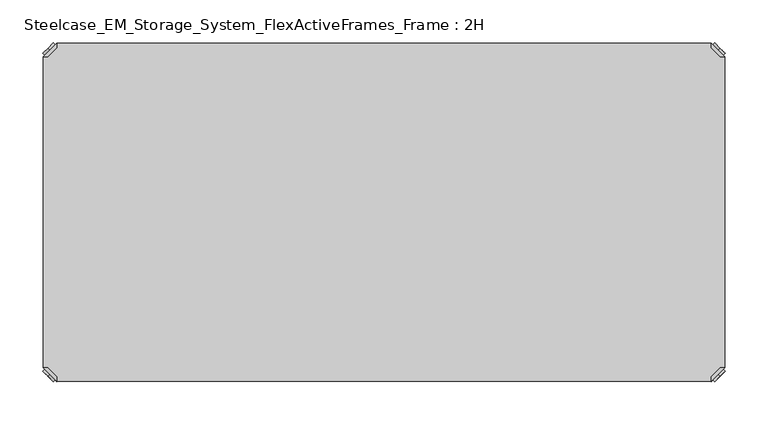
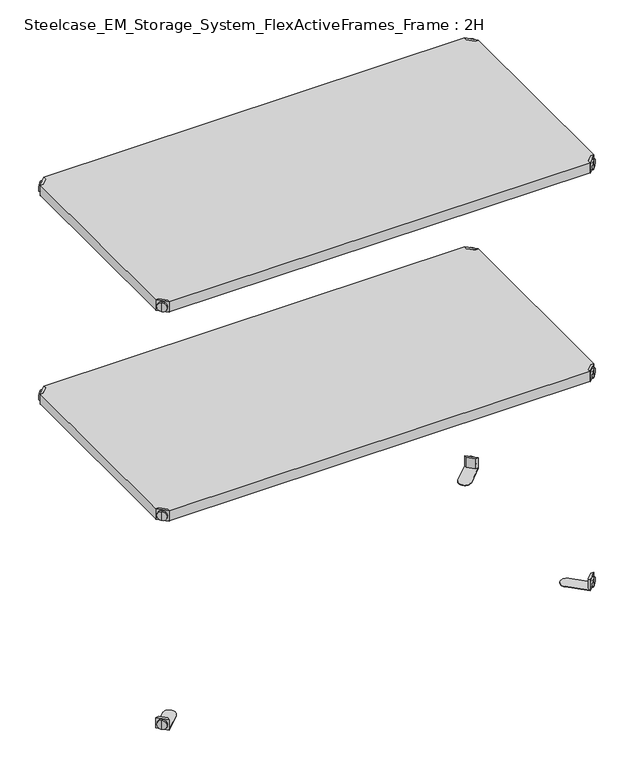
"""IFC4 building model written with IfcOpenShell, lengths in millimetres: furniture geometry, Steelcase_EM_Storage_System_FlexActiveFrames_Frame : 2H."""

from ifc_helpers import new_model, si_unit, frame, origin, place, context, project, spatial, polyline, circle_curve, outline, extrude, source, transform, mapped, element, save
from ifc_brep_helpers import plane_surface, cylinder_surface, advanced_brep


def steelcase_em_storage_system_flexactiveframes_frame_2h_59649669(model_context):
    return source(origin(), model_context, "Body", "SolidModel", [
        advanced_brep(
        [(789.0398449, -10.9601551, 498.5), (789.0398449, -10.9601551, 507.0), (789.0398449, -10.9601551, 515.5), (791.1611652, -8.8388348, 498.5), (791.1611652, -8.8388348, 515.5), (791.1611652, -8.8388348, 507.0)],
        [
            (0, 1),
            (1, 2),
            (2, 0, circle_curve(frame((789.0398449, -10.9601551, 507.0), z_axis=(-0.7071067811865556, -0.7071067811865395, 0.0), x_axis=(0.0, 0.0, 1.0)), 8.5)),
            (0, 2, circle_curve(frame((789.0398449, -10.9601551, 507.0), z_axis=(-0.7071067811865556, -0.7071067811865395, 0.0), x_axis=(0.0, 0.0, 1.0)), 8.5)),
            (3, 0),
            (2, 4),
            (4, 3, circle_curve(frame((791.1611652, -8.8388348, 507.0), z_axis=(-0.7071067811865556, -0.7071067811865395, 0.0), x_axis=(0.0, 0.0, 1.0)), 8.5)),
            (3, 4, circle_curve(frame((791.1611652, -8.8388348, 507.0), z_axis=(-0.7071067811865556, -0.7071067811865395, 0.0), x_axis=(0.0, 0.0, 1.0)), 8.5)),
            (5, 3),
            (4, 5),
        ],
        [
            plane_surface(frame((789.0398449, -10.9601551, 507.0), z_axis=(-0.7071067811865552, -0.7071067811865399, 0.0), x_axis=(0.0, 0.0, 1.0))),
            cylinder_surface(frame((791.1611652, -8.8388348, 507.0), z_axis=(0.7071067811865556, 0.7071067811865395, 0.0), x_axis=(0.0, 0.0, 1.0)), 8.5),
            plane_surface(frame((791.1611652, -8.8388348, 507.0), z_axis=(0.7071067811865552, 0.7071067811865399, 0.0), x_axis=(0.0, 0.0, 1.0))),
        ],
        [
            (0, [[1, 2, 3]]),
            (0, [[-2, -1, 4]]),
            (1, [[5, -3, 6, 7]]),
            (1, [[-6, -4, -5, 8]]),
            (2, [[9, -7, 10]]),
            (2, [[-10, -8, -9]]),
        ],
    ),
        advanced_brep(
        [(781.0796898, -3.0, 517.0), (781.0796898, -8.6568542, 517.0), (791.3431458, -18.9203102, 517.0), (797.0, -18.9203102, 517.0), (797.0, -18.9203102, 498.0), (797.0, -18.9203102, 497.0), (781.0796898, -3.0, 497.0), (781.0796898, -3.0, 498.0), (781.0796898, -8.6568542, 498.0), (791.3431458, -18.9203102, 498.0), (752.2702923, -31.8093975, 498.0), (768.1906025, -47.7297077, 498.0), (768.1906025, -47.7297077, 497.0), (752.2702923, -31.8093975, 497.0)],
        [
            (0, 1),
            (1, 2),
            (2, 3),
            (3, 0),
            (3, 4),
            (4, 5),
            (5, 6),
            (6, 7),
            (7, 0),
            (1, 8),
            (8, 9),
            (9, 2),
            (7, 8),
            (9, 4),
            (7, 10),
            (10, 11, circle_curve(frame((760.2304474, -39.7695526, 498.0), z_axis=(0.0, 0.0, 1.0), x_axis=(-1.0, 0.0, 0.0)), 11.2573593)),
            (11, 4),
            (5, 12),
            (12, 13, circle_curve(frame((760.2304474, -39.7695526, 497.0), z_axis=(0.0, 0.0, -1.0), x_axis=(-1.0, 0.0, 0.0)), 11.2573593)),
            (13, 6),
            (11, 12),
            (10, 13),
        ],
        [
            plane_surface(frame((838.8756299, -60.7959401, 517.0), z_axis=(0.0, 0.0, 1.0000000000000002), x_axis=(0.7071067811865465, -0.7071067811865487, 0.0))),
            plane_surface(frame((781.0796898, -3.0, 517.0), z_axis=(0.7071067811865487, 0.7071067811865465, 0.0), x_axis=(0.0, 0.0, -1.0))),
            plane_surface(frame((791.3431458, -18.9203102, 517.0), z_axis=(-0.7071067811865573, -0.7071067811865377, 0.0), x_axis=(0.0, 0.0, -1.0))),
            plane_surface(frame((781.0796898, -8.6568542, 517.0), z_axis=(-1.0, 0.0, 0.0), x_axis=(0.0, 0.0, -1.0))),
            plane_surface(frame((797.0, -18.9203102, 517.0), z_axis=(0.0, -1.0, 0.0), x_axis=(0.0, 0.0, -1.0))),
            plane_surface(frame((797.0, -18.9203102, 498.0), z_axis=(0.0, 0.0, 1.0), x_axis=(0.7071067811865392, -0.7071067811865558, 0.0))),
            plane_surface(frame((797.0, -18.9203102, 497.0), z_axis=(0.0, 0.0, -1.0), x_axis=(-0.7071067811865392, 0.7071067811865558, 0.0))),
            plane_surface(frame((797.0, -18.9203102, 498.0), z_axis=(0.7071067811865399, -0.7071067811865552, 0.0), x_axis=(0.0, 0.0, -1.0))),
            cylinder_surface(frame((760.2304474, -39.7695526, 497.0), z_axis=(0.0, 0.0, 1.0), x_axis=(-1.0, 0.0, 0.0)), 11.2573593),
            plane_surface(frame((752.2702923, -31.8093975, 498.0), z_axis=(-0.7071067811865388, 0.7071067811865563, 0.0), x_axis=(0.0, 0.0, -1.0))),
        ],
        [
            (0, [[1, 2, 3, 4]]),
            (1, [[5, 6, 7, 8, 9, -4]]),
            (2, [[10, 11, 12, -2]]),
            (3, [[-9, 13, -10, -1]]),
            (4, [[-12, 14, -5, -3]]),
            (5, [[-14, -11, -13, 15, 16, 17]]),
            (6, [[-7, 18, 19, 20]]),
            (7, [[21, -18, -6, -17]]),
            (8, [[22, -19, -21, -16]]),
            (9, [[-8, -20, -22, -15]]),
        ],
    ),
        advanced_brep(
        [(789.0398449, -389.0398449, 498.5), (789.0398449, -389.0398449, 515.5), (789.0398449, -389.0398449, 507.0), (791.1611652, -391.1611652, 498.5), (791.1611652, -391.1611652, 515.5), (791.1611652, -391.1611652, 507.0)],
        [
            (0, 1, circle_curve(frame((789.0398449, -389.0398449, 507.0), z_axis=(-0.7071067811865509, 0.7071067811865441, 0.0), x_axis=(0.0, 0.0, 1.0)), 8.5)),
            (1, 2),
            (2, 0),
            (1, 0, circle_curve(frame((789.0398449, -389.0398449, 507.0), z_axis=(-0.7071067811865509, 0.7071067811865441, 0.0), x_axis=(0.0, 0.0, 1.0)), 8.5)),
            (3, 4, circle_curve(frame((791.1611652, -391.1611652, 507.0), z_axis=(-0.7071067811865509, 0.7071067811865441, 0.0), x_axis=(0.0, 0.0, 1.0)), 8.5)),
            (4, 1),
            (0, 3),
            (4, 3, circle_curve(frame((791.1611652, -391.1611652, 507.0), z_axis=(-0.7071067811865509, 0.7071067811865441, 0.0), x_axis=(0.0, 0.0, 1.0)), 8.5)),
            (5, 4),
            (3, 5),
        ],
        [
            plane_surface(frame((789.0398449, -389.0398449, 507.0), z_axis=(-0.7071067811865506, 0.7071067811865446, 0.0), x_axis=(0.0, 0.0, 1.0))),
            cylinder_surface(frame((791.1611652, -391.1611652, 507.0), z_axis=(0.7071067811865509, -0.7071067811865441, 0.0), x_axis=(0.0, 0.0, 1.0)), 8.5),
            plane_surface(frame((791.1611652, -391.1611652, 507.0), z_axis=(0.7071067811865506, -0.7071067811865446, 0.0), x_axis=(0.0, 0.0, 1.0))),
        ],
        [
            (0, [[1, 2, 3]]),
            (0, [[4, -3, -2]]),
            (1, [[5, 6, -1, 7]]),
            (1, [[8, -7, -4, -6]]),
            (2, [[9, -5, 10]]),
            (2, [[-10, -8, -9]]),
        ],
    ),
        advanced_brep(
        [(781.0796898, -397.0, 517.0), (797.0, -381.0796898, 517.0), (791.3431458, -381.0796898, 517.0), (781.0796898, -391.3431458, 517.0), (781.0796898, -397.0, 498.0), (781.0796898, -397.0, 497.0), (797.0, -381.0796898, 497.0), (797.0, -381.0796898, 498.0), (791.3431458, -381.0796898, 498.0), (781.0796898, -391.3431458, 498.0), (768.1906025, -352.2702923, 498.0), (752.2702923, -368.1906025, 498.0), (752.2702923, -368.1906025, 497.0), (768.1906025, -352.2702923, 497.0)],
        [
            (0, 1),
            (1, 2),
            (2, 3),
            (3, 0),
            (0, 4),
            (4, 5),
            (5, 6),
            (6, 7),
            (7, 1),
            (2, 8),
            (8, 9),
            (9, 3),
            (9, 4),
            (7, 8),
            (7, 10),
            (10, 11, circle_curve(frame((760.2304474, -360.2304474, 498.0), z_axis=(0.0, 0.0, 1.0), x_axis=(-1.0, 0.0, 0.0)), 11.2573593)),
            (11, 4),
            (5, 12),
            (12, 13, circle_curve(frame((760.2304474, -360.2304474, 497.0), z_axis=(0.0, 0.0, -1.0), x_axis=(-1.0, 0.0, 0.0)), 11.2573593)),
            (13, 6),
            (13, 10),
            (12, 11),
        ],
        [
            plane_surface(frame((838.8756299, -339.2040599, 517.0), z_axis=(0.0, 0.0, 1.0000000000000002), x_axis=(0.7071067811865511, 0.707106781186544, 0.0))),
            plane_surface(frame((781.0796898, -397.0, 517.0), z_axis=(0.707106781186544, -0.7071067811865511, 0.0), x_axis=(0.0, 0.0, -1.0))),
            plane_surface(frame((791.3431458, -381.0796898, 517.0), z_axis=(-0.7071067811865527, 0.7071067811865424, 0.0), x_axis=(0.0, 0.0, -1.0))),
            plane_surface(frame((781.0796898, -391.3431458, 517.0), z_axis=(-1.0, 0.0, 0.0), x_axis=(0.0, 0.0, -1.0))),
            plane_surface(frame((797.0, -381.0796898, 517.0), z_axis=(0.0, 1.0, 0.0), x_axis=(0.0, 0.0, -1.0))),
            plane_surface(frame((797.0, -381.0796898, 498.0), z_axis=(0.0, 0.0, 1.0), x_axis=(0.7071067811865439, 0.7071067811865511, 0.0))),
            plane_surface(frame((797.0, -381.0796898, 497.0), z_axis=(0.0, 0.0, -1.0), x_axis=(-0.7071067811865439, -0.7071067811865511, 0.0))),
            plane_surface(frame((797.0, -381.0796898, 498.0), z_axis=(0.7071067811865446, 0.7071067811865506, 0.0), x_axis=(0.0, 0.0, -1.0))),
            cylinder_surface(frame((760.2304474, -360.2304474, 497.0), z_axis=(0.0, 0.0, 1.0), x_axis=(-1.0, 0.0, 0.0)), 11.2573593),
            plane_surface(frame((752.2702923, -368.1906025, 498.0), z_axis=(-0.7071067811865435, -0.7071067811865517, 0.0), x_axis=(0.0, 0.0, -1.0))),
        ],
        [
            (0, [[1, 2, 3, 4]]),
            (1, [[-1, 5, 6, 7, 8, 9]]),
            (2, [[-3, 10, 11, 12]]),
            (3, [[-4, -12, 13, -5]]),
            (4, [[-2, -9, 14, -10]]),
            (5, [[15, 16, 17, -13, -11, -14]]),
            (6, [[18, 19, 20, -7]]),
            (7, [[-15, -8, -20, 21]]),
            (8, [[-16, -21, -19, 22]]),
            (9, [[-17, -22, -18, -6]]),
        ],
    ),
        advanced_brep(
        [(10.9601551, -389.0398449, 498.5), (10.9601551, -389.0398449, 507.0), (10.9601551, -389.0398449, 515.5), (8.8388348, -391.1611652, 498.5), (8.8388348, -391.1611652, 515.5), (8.8388348, -391.1611652, 507.0)],
        [
            (0, 1),
            (1, 2),
            (2, 0, circle_curve(frame((10.9601551, -389.0398449, 507.0), z_axis=(0.7071067811865509, 0.7071067811865441, 0.0), x_axis=(0.0, 0.0, 1.0)), 8.5)),
            (0, 2, circle_curve(frame((10.9601551, -389.0398449, 507.0), z_axis=(0.7071067811865509, 0.7071067811865441, 0.0), x_axis=(0.0, 0.0, 1.0)), 8.5)),
            (3, 0),
            (2, 4),
            (4, 3, circle_curve(frame((8.8388348, -391.1611652, 507.0), z_axis=(0.7071067811865509, 0.7071067811865441, 0.0), x_axis=(0.0, 0.0, 1.0)), 8.5)),
            (3, 4, circle_curve(frame((8.8388348, -391.1611652, 507.0), z_axis=(0.7071067811865509, 0.7071067811865441, 0.0), x_axis=(0.0, 0.0, 1.0)), 8.5)),
            (5, 3),
            (4, 5),
        ],
        [
            plane_surface(frame((10.9601551, -389.0398449, 507.0), z_axis=(0.7071067811865506, 0.7071067811865446, 0.0), x_axis=(0.0, 0.0, 1.0))),
            cylinder_surface(frame((8.8388348, -391.1611652, 507.0), z_axis=(-0.7071067811865509, -0.7071067811865441, 0.0), x_axis=(0.0, 0.0, 1.0)), 8.5),
            plane_surface(frame((8.8388348, -391.1611652, 507.0), z_axis=(-0.7071067811865506, -0.7071067811865446, 0.0), x_axis=(0.0, 0.0, 1.0))),
        ],
        [
            (0, [[1, 2, 3]]),
            (0, [[-2, -1, 4]]),
            (1, [[5, -3, 6, 7]]),
            (1, [[-6, -4, -5, 8]]),
            (2, [[9, -7, 10]]),
            (2, [[-10, -8, -9]]),
        ],
    ),
        advanced_brep(
        [(18.9203102, -397.0, 517.0), (18.9203102, -391.3431458, 517.0), (8.6568542, -381.0796898, 517.0), (3.0, -381.0796898, 517.0), (3.0, -381.0796898, 498.0), (3.0, -381.0796898, 497.0), (18.9203102, -397.0, 497.0), (18.9203102, -397.0, 498.0), (18.9203102, -391.3431458, 498.0), (8.6568542, -381.0796898, 498.0), (47.7297077, -368.1906025, 498.0), (31.8093975, -352.2702923, 498.0), (31.8093975, -352.2702923, 497.0), (47.7297077, -368.1906025, 497.0)],
        [
            (0, 1),
            (1, 2),
            (2, 3),
            (3, 0),
            (3, 4),
            (4, 5),
            (5, 6),
            (6, 7),
            (7, 0),
            (1, 8),
            (8, 9),
            (9, 2),
            (7, 8),
            (9, 4),
            (7, 10),
            (10, 11, circle_curve(frame((39.7695526, -360.2304474, 498.0), z_axis=(0.0, 0.0, 1.0), x_axis=(1.0, 0.0, 0.0)), 11.2573593)),
            (11, 4),
            (5, 12),
            (12, 13, circle_curve(frame((39.7695526, -360.2304474, 497.0), z_axis=(0.0, 0.0, -1.0), x_axis=(1.0, 0.0, 0.0)), 11.2573593)),
            (13, 6),
            (11, 12),
            (10, 13),
        ],
        [
            plane_surface(frame((-38.8756299, -339.2040599, 517.0), z_axis=(0.0, 0.0, 1.0000000000000002), x_axis=(-0.7071067811865511, 0.707106781186544, 0.0))),
            plane_surface(frame((18.9203102, -397.0, 517.0), z_axis=(-0.707106781186544, -0.7071067811865511, 0.0), x_axis=(0.0, 0.0, -1.0))),
            plane_surface(frame((8.6568542, -381.0796898, 517.0), z_axis=(0.7071067811865527, 0.7071067811865424, 0.0), x_axis=(0.0, 0.0, -1.0))),
            plane_surface(frame((18.9203102, -391.3431458, 517.0), z_axis=(1.0, 0.0, 0.0), x_axis=(0.0, 0.0, -1.0))),
            plane_surface(frame((3.0, -381.0796898, 517.0), z_axis=(0.0, 1.0, 0.0), x_axis=(0.0, 0.0, -1.0))),
            plane_surface(frame((3.0, -381.0796898, 498.0), z_axis=(0.0, 0.0, 1.0), x_axis=(-0.7071067811865439, 0.7071067811865511, 0.0))),
            plane_surface(frame((3.0, -381.0796898, 497.0), z_axis=(0.0, 0.0, -1.0), x_axis=(0.7071067811865439, -0.7071067811865511, 0.0))),
            plane_surface(frame((3.0, -381.0796898, 498.0), z_axis=(-0.7071067811865446, 0.7071067811865506, 0.0), x_axis=(0.0, 0.0, -1.0))),
            cylinder_surface(frame((39.7695526, -360.2304474, 497.0), z_axis=(0.0, 0.0, 1.0), x_axis=(1.0, 0.0, 0.0)), 11.2573593),
            plane_surface(frame((47.7297077, -368.1906025, 498.0), z_axis=(0.7071067811865435, -0.7071067811865517, 0.0), x_axis=(0.0, 0.0, -1.0))),
        ],
        [
            (0, [[1, 2, 3, 4]]),
            (1, [[5, 6, 7, 8, 9, -4]]),
            (2, [[10, 11, 12, -2]]),
            (3, [[-9, 13, -10, -1]]),
            (4, [[-12, 14, -5, -3]]),
            (5, [[-14, -11, -13, 15, 16, 17]]),
            (6, [[-7, 18, 19, 20]]),
            (7, [[21, -18, -6, -17]]),
            (8, [[22, -19, -21, -16]]),
            (9, [[-8, -20, -22, -15]]),
        ],
    ),
        advanced_brep(
        [(10.9601551, -10.9601551, 498.5), (10.9601551, -10.9601551, 515.5), (10.9601551, -10.9601551, 507.0), (8.8388348, -8.8388348, 498.5), (8.8388348, -8.8388348, 515.5), (8.8388348, -8.8388348, 507.0)],
        [
            (0, 1, circle_curve(frame((10.9601551, -10.9601551, 507.0), z_axis=(0.7071067811865464, -0.7071067811865487, 0.0), x_axis=(0.0, 0.0, 1.0)), 8.5)),
            (1, 2),
            (2, 0),
            (1, 0, circle_curve(frame((10.9601551, -10.9601551, 507.0), z_axis=(0.7071067811865464, -0.7071067811865487, 0.0), x_axis=(0.0, 0.0, 1.0)), 8.5)),
            (3, 4, circle_curve(frame((8.8388348, -8.8388348, 507.0), z_axis=(0.7071067811865464, -0.7071067811865487, 0.0), x_axis=(0.0, 0.0, 1.0)), 8.5)),
            (4, 1),
            (0, 3),
            (4, 3, circle_curve(frame((8.8388348, -8.8388348, 507.0), z_axis=(0.7071067811865464, -0.7071067811865487, 0.0), x_axis=(0.0, 0.0, 1.0)), 8.5)),
            (5, 4),
            (3, 5),
        ],
        [
            plane_surface(frame((10.9601551, -10.9601551, 507.0), z_axis=(0.707106781186546, -0.7071067811865491, 0.0), x_axis=(0.0, 0.0, 1.0))),
            cylinder_surface(frame((8.8388348, -8.8388348, 507.0), z_axis=(-0.7071067811865464, 0.7071067811865487, 0.0), x_axis=(0.0, 0.0, 1.0)), 8.5),
            plane_surface(frame((8.8388348, -8.8388348, 507.0), z_axis=(-0.707106781186546, 0.7071067811865491, 0.0), x_axis=(0.0, 0.0, 1.0))),
        ],
        [
            (0, [[1, 2, 3]]),
            (0, [[4, -3, -2]]),
            (1, [[5, 6, -1, 7]]),
            (1, [[8, -7, -4, -6]]),
            (2, [[9, -5, 10]]),
            (2, [[-10, -8, -9]]),
        ],
    ),
        advanced_brep(
        [(18.9203102, -3.0, 517.0), (3.0, -18.9203102, 517.0), (8.6568542, -18.9203102, 517.0), (18.9203102, -8.6568542, 517.0), (18.9203102, -3.0, 498.0), (18.9203102, -3.0, 497.0), (3.0, -18.9203102, 497.0), (3.0, -18.9203102, 498.0), (8.6568542, -18.9203102, 498.0), (18.9203102, -8.6568542, 498.0), (31.8093975, -47.7297077, 498.0), (47.7297077, -31.8093975, 498.0), (47.7297077, -31.8093975, 497.0), (31.8093975, -47.7297077, 497.0)],
        [
            (0, 1),
            (1, 2),
            (2, 3),
            (3, 0),
            (0, 4),
            (4, 5),
            (5, 6),
            (6, 7),
            (7, 1),
            (2, 8),
            (8, 9),
            (9, 3),
            (9, 4),
            (7, 8),
            (7, 10),
            (10, 11, circle_curve(frame((39.7695526, -39.7695526, 498.0), z_axis=(0.0, 0.0, 1.0), x_axis=(1.0, 0.0, 0.0)), 11.2573593)),
            (11, 4),
            (5, 12),
            (12, 13, circle_curve(frame((39.7695526, -39.7695526, 497.0), z_axis=(0.0, 0.0, -1.0), x_axis=(1.0, 0.0, 0.0)), 11.2573593)),
            (13, 6),
            (13, 10),
            (12, 11),
        ],
        [
            plane_surface(frame((-38.8756299, -60.7959401, 517.0), z_axis=(0.0, 0.0, 1.0000000000000002), x_axis=(-0.7071067811865557, -0.7071067811865395, 0.0))),
            plane_surface(frame((18.9203102, -3.0, 517.0), z_axis=(-0.7071067811865395, 0.7071067811865557, 0.0), x_axis=(0.0, 0.0, -1.0))),
            plane_surface(frame((8.6568542, -18.9203102, 517.0), z_axis=(0.7071067811865481, -0.7071067811865469, 0.0), x_axis=(0.0, 0.0, -1.0))),
            plane_surface(frame((18.9203102, -8.6568542, 517.0), z_axis=(1.0, 0.0, 0.0), x_axis=(0.0, 0.0, -1.0))),
            plane_surface(frame((3.0, -18.9203102, 517.0), z_axis=(0.0, -1.0, 0.0), x_axis=(0.0, 0.0, -1.0))),
            plane_surface(frame((3.0, -18.9203102, 498.0), z_axis=(0.0, 0.0, 1.0), x_axis=(-0.7071067811865485, -0.7071067811865466, 0.0))),
            plane_surface(frame((3.0, -18.9203102, 497.0), z_axis=(0.0, 0.0, -1.0), x_axis=(0.7071067811865485, 0.7071067811865466, 0.0))),
            plane_surface(frame((3.0, -18.9203102, 498.0), z_axis=(-0.7071067811865491, -0.707106781186546, 0.0), x_axis=(0.0, 0.0, -1.0))),
            cylinder_surface(frame((39.7695526, -39.7695526, 497.0), z_axis=(0.0, 0.0, 1.0), x_axis=(1.0, 0.0, 0.0)), 11.2573593),
            plane_surface(frame((47.7297077, -31.8093975, 498.0), z_axis=(0.707106781186548, 0.7071067811865471, 0.0), x_axis=(0.0, 0.0, -1.0))),
        ],
        [
            (0, [[1, 2, 3, 4]]),
            (1, [[-1, 5, 6, 7, 8, 9]]),
            (2, [[-3, 10, 11, 12]]),
            (3, [[-4, -12, 13, -5]]),
            (4, [[-2, -9, 14, -10]]),
            (5, [[15, 16, 17, -13, -11, -14]]),
            (6, [[18, 19, 20, -7]]),
            (7, [[-15, -8, -20, 21]]),
            (8, [[-16, -21, -19, 22]]),
            (9, [[-17, -22, -18, -6]]),
        ],
    ),
        extrude(outline(polyline([(781.0796898, -3.0), (781.0796898, -8.6568542), (791.3431458, -18.9203102), (797.0, -18.9203102), (797.0, -381.0796898), (791.3431458, -381.0796898), (781.0796898, -391.3431458), (781.0796898, -397.0), (18.9203102, -397.0), (18.9203102, -391.3431458), (8.6568542, -381.0796898), (3.0, -381.0796898), (3.0, -18.9203102), (8.6568542, -18.9203102), (18.9203102, -8.6568542), (18.9203102, -3.0), (781.0796898, -3.0)])), frame((0.0, 0.0, 498.0), z_axis=(0.0, 0.0, 1.0), x_axis=(1.0, 0.0, 0.0)), (0.0, 0.0, 1.0), 19.0),
        advanced_brep(
        [(789.0398449, -10.9601551, 898.5), (789.0398449, -10.9601551, 907.0), (789.0398449, -10.9601551, 915.5), (791.1611652, -8.8388348, 898.5), (791.1611652, -8.8388348, 915.5), (791.1611652, -8.8388348, 907.0)],
        [
            (0, 1),
            (1, 2),
            (2, 0, circle_curve(frame((789.0398449, -10.9601551, 907.0), z_axis=(-0.7071067811865556, -0.7071067811865395, 0.0), x_axis=(0.0, 0.0, 1.0)), 8.5)),
            (0, 2, circle_curve(frame((789.0398449, -10.9601551, 907.0), z_axis=(-0.7071067811865556, -0.7071067811865395, 0.0), x_axis=(0.0, 0.0, 1.0)), 8.5)),
            (3, 0),
            (2, 4),
            (4, 3, circle_curve(frame((791.1611652, -8.8388348, 907.0), z_axis=(-0.7071067811865556, -0.7071067811865395, 0.0), x_axis=(0.0, 0.0, 1.0)), 8.5)),
            (3, 4, circle_curve(frame((791.1611652, -8.8388348, 907.0), z_axis=(-0.7071067811865556, -0.7071067811865395, 0.0), x_axis=(0.0, 0.0, 1.0)), 8.5)),
            (5, 3),
            (4, 5),
        ],
        [
            plane_surface(frame((789.0398449, -10.9601551, 907.0), z_axis=(-0.7071067811865552, -0.7071067811865399, 0.0), x_axis=(0.0, 0.0, 1.0))),
            cylinder_surface(frame((791.1611652, -8.8388348, 907.0), z_axis=(0.7071067811865556, 0.7071067811865395, 0.0), x_axis=(0.0, 0.0, 1.0)), 8.5),
            plane_surface(frame((791.1611652, -8.8388348, 907.0), z_axis=(0.7071067811865552, 0.7071067811865399, 0.0), x_axis=(0.0, 0.0, 1.0))),
        ],
        [
            (0, [[1, 2, 3]]),
            (0, [[-2, -1, 4]]),
            (1, [[5, -3, 6, 7]]),
            (1, [[-6, -4, -5, 8]]),
            (2, [[9, -7, 10]]),
            (2, [[-10, -8, -9]]),
        ],
    ),
        advanced_brep(
        [(781.0796898, -3.0, 917.0), (781.0796898, -8.6568542, 917.0), (791.3431458, -18.9203102, 917.0), (797.0, -18.9203102, 917.0), (797.0, -18.9203102, 898.0), (797.0, -18.9203102, 897.0), (781.0796898, -3.0, 897.0), (781.0796898, -3.0, 898.0), (781.0796898, -8.6568542, 898.0), (791.3431458, -18.9203102, 898.0), (752.2702923, -31.8093975, 898.0), (768.1906025, -47.7297077, 898.0), (768.1906025, -47.7297077, 897.0), (752.2702923, -31.8093975, 897.0)],
        [
            (0, 1),
            (1, 2),
            (2, 3),
            (3, 0),
            (3, 4),
            (4, 5),
            (5, 6),
            (6, 7),
            (7, 0),
            (1, 8),
            (8, 9),
            (9, 2),
            (7, 8),
            (9, 4),
            (7, 10),
            (10, 11, circle_curve(frame((760.2304474, -39.7695526, 898.0), z_axis=(0.0, 0.0, 1.0), x_axis=(-1.0, 0.0, 0.0)), 11.2573593)),
            (11, 4),
            (5, 12),
            (12, 13, circle_curve(frame((760.2304474, -39.7695526, 897.0), z_axis=(0.0, 0.0, -1.0), x_axis=(-1.0, 0.0, 0.0)), 11.2573593)),
            (13, 6),
            (11, 12),
            (10, 13),
        ],
        [
            plane_surface(frame((838.8756299, -60.7959401, 917.0), z_axis=(0.0, 0.0, 1.0000000000000002), x_axis=(0.7071067811865465, -0.7071067811865487, 0.0))),
            plane_surface(frame((781.0796898, -3.0, 917.0), z_axis=(0.7071067811865487, 0.7071067811865465, 0.0), x_axis=(0.0, 0.0, -1.0))),
            plane_surface(frame((791.3431458, -18.9203102, 917.0), z_axis=(-0.7071067811865573, -0.7071067811865377, 0.0), x_axis=(0.0, 0.0, -1.0))),
            plane_surface(frame((781.0796898, -8.6568542, 917.0), z_axis=(-1.0, 0.0, 0.0), x_axis=(0.0, 0.0, -1.0))),
            plane_surface(frame((797.0, -18.9203102, 917.0), z_axis=(0.0, -1.0, 0.0), x_axis=(0.0, 0.0, -1.0))),
            plane_surface(frame((797.0, -18.9203102, 898.0), z_axis=(0.0, 0.0, 1.0), x_axis=(0.7071067811865392, -0.7071067811865558, 0.0))),
            plane_surface(frame((797.0, -18.9203102, 897.0), z_axis=(0.0, 0.0, -1.0), x_axis=(-0.7071067811865392, 0.7071067811865558, 0.0))),
            plane_surface(frame((797.0, -18.9203102, 898.0), z_axis=(0.7071067811865399, -0.7071067811865552, 0.0), x_axis=(0.0, 0.0, -1.0))),
            cylinder_surface(frame((760.2304474, -39.7695526, 897.0), z_axis=(0.0, 0.0, 1.0), x_axis=(-1.0, 0.0, 0.0)), 11.2573593),
            plane_surface(frame((752.2702923, -31.8093975, 898.0), z_axis=(-0.7071067811865388, 0.7071067811865563, 0.0), x_axis=(0.0, 0.0, -1.0))),
        ],
        [
            (0, [[1, 2, 3, 4]]),
            (1, [[5, 6, 7, 8, 9, -4]]),
            (2, [[10, 11, 12, -2]]),
            (3, [[-9, 13, -10, -1]]),
            (4, [[-12, 14, -5, -3]]),
            (5, [[-14, -11, -13, 15, 16, 17]]),
            (6, [[-7, 18, 19, 20]]),
            (7, [[21, -18, -6, -17]]),
            (8, [[22, -19, -21, -16]]),
            (9, [[-8, -20, -22, -15]]),
        ],
    ),
        advanced_brep(
        [(789.0398449, -389.0398449, 898.5), (789.0398449, -389.0398449, 915.5), (789.0398449, -389.0398449, 907.0), (791.1611652, -391.1611652, 898.5), (791.1611652, -391.1611652, 915.5), (791.1611652, -391.1611652, 907.0)],
        [
            (0, 1, circle_curve(frame((789.0398449, -389.0398449, 907.0), z_axis=(-0.7071067811865509, 0.7071067811865441, 0.0), x_axis=(0.0, 0.0, 1.0)), 8.5)),
            (1, 2),
            (2, 0),
            (1, 0, circle_curve(frame((789.0398449, -389.0398449, 907.0), z_axis=(-0.7071067811865509, 0.7071067811865441, 0.0), x_axis=(0.0, 0.0, 1.0)), 8.5)),
            (3, 4, circle_curve(frame((791.1611652, -391.1611652, 907.0), z_axis=(-0.7071067811865509, 0.7071067811865441, 0.0), x_axis=(0.0, 0.0, 1.0)), 8.5)),
            (4, 1),
            (0, 3),
            (4, 3, circle_curve(frame((791.1611652, -391.1611652, 907.0), z_axis=(-0.7071067811865509, 0.7071067811865441, 0.0), x_axis=(0.0, 0.0, 1.0)), 8.5)),
            (5, 4),
            (3, 5),
        ],
        [
            plane_surface(frame((789.0398449, -389.0398449, 907.0), z_axis=(-0.7071067811865506, 0.7071067811865446, 0.0), x_axis=(0.0, 0.0, 1.0))),
            cylinder_surface(frame((791.1611652, -391.1611652, 907.0), z_axis=(0.7071067811865509, -0.7071067811865441, 0.0), x_axis=(0.0, 0.0, 1.0)), 8.5),
            plane_surface(frame((791.1611652, -391.1611652, 907.0), z_axis=(0.7071067811865506, -0.7071067811865446, 0.0), x_axis=(0.0, 0.0, 1.0))),
        ],
        [
            (0, [[1, 2, 3]]),
            (0, [[4, -3, -2]]),
            (1, [[5, 6, -1, 7]]),
            (1, [[8, -7, -4, -6]]),
            (2, [[9, -5, 10]]),
            (2, [[-10, -8, -9]]),
        ],
    ),
        advanced_brep(
        [(781.0796898, -397.0, 917.0), (797.0, -381.0796898, 917.0), (791.3431458, -381.0796898, 917.0), (781.0796898, -391.3431458, 917.0), (781.0796898, -397.0, 898.0), (781.0796898, -397.0, 897.0), (797.0, -381.0796898, 897.0), (797.0, -381.0796898, 898.0), (791.3431458, -381.0796898, 898.0), (781.0796898, -391.3431458, 898.0), (768.1906025, -352.2702923, 898.0), (752.2702923, -368.1906025, 898.0), (752.2702923, -368.1906025, 897.0), (768.1906025, -352.2702923, 897.0)],
        [
            (0, 1),
            (1, 2),
            (2, 3),
            (3, 0),
            (0, 4),
            (4, 5),
            (5, 6),
            (6, 7),
            (7, 1),
            (2, 8),
            (8, 9),
            (9, 3),
            (9, 4),
            (7, 8),
            (7, 10),
            (10, 11, circle_curve(frame((760.2304474, -360.2304474, 898.0), z_axis=(0.0, 0.0, 1.0), x_axis=(-1.0, 0.0, 0.0)), 11.2573593)),
            (11, 4),
            (5, 12),
            (12, 13, circle_curve(frame((760.2304474, -360.2304474, 897.0), z_axis=(0.0, 0.0, -1.0), x_axis=(-1.0, 0.0, 0.0)), 11.2573593)),
            (13, 6),
            (13, 10),
            (12, 11),
        ],
        [
            plane_surface(frame((838.8756299, -339.2040599, 917.0), z_axis=(0.0, 0.0, 1.0000000000000002), x_axis=(0.7071067811865511, 0.707106781186544, 0.0))),
            plane_surface(frame((781.0796898, -397.0, 917.0), z_axis=(0.707106781186544, -0.7071067811865511, 0.0), x_axis=(0.0, 0.0, -1.0))),
            plane_surface(frame((791.3431458, -381.0796898, 917.0), z_axis=(-0.7071067811865527, 0.7071067811865424, 0.0), x_axis=(0.0, 0.0, -1.0))),
            plane_surface(frame((781.0796898, -391.3431458, 917.0), z_axis=(-1.0, 0.0, 0.0), x_axis=(0.0, 0.0, -1.0))),
            plane_surface(frame((797.0, -381.0796898, 917.0), z_axis=(0.0, 1.0, 0.0), x_axis=(0.0, 0.0, -1.0))),
            plane_surface(frame((797.0, -381.0796898, 898.0), z_axis=(0.0, 0.0, 1.0), x_axis=(0.7071067811865439, 0.7071067811865511, 0.0))),
            plane_surface(frame((797.0, -381.0796898, 897.0), z_axis=(0.0, 0.0, -1.0), x_axis=(-0.7071067811865439, -0.7071067811865511, 0.0))),
            plane_surface(frame((797.0, -381.0796898, 898.0), z_axis=(0.7071067811865446, 0.7071067811865506, 0.0), x_axis=(0.0, 0.0, -1.0))),
            cylinder_surface(frame((760.2304474, -360.2304474, 897.0), z_axis=(0.0, 0.0, 1.0), x_axis=(-1.0, 0.0, 0.0)), 11.2573593),
            plane_surface(frame((752.2702923, -368.1906025, 898.0), z_axis=(-0.7071067811865435, -0.7071067811865517, 0.0), x_axis=(0.0, 0.0, -1.0))),
        ],
        [
            (0, [[1, 2, 3, 4]]),
            (1, [[-1, 5, 6, 7, 8, 9]]),
            (2, [[-3, 10, 11, 12]]),
            (3, [[-4, -12, 13, -5]]),
            (4, [[-2, -9, 14, -10]]),
            (5, [[15, 16, 17, -13, -11, -14]]),
            (6, [[18, 19, 20, -7]]),
            (7, [[-15, -8, -20, 21]]),
            (8, [[-16, -21, -19, 22]]),
            (9, [[-17, -22, -18, -6]]),
        ],
    ),
        advanced_brep(
        [(10.9601551, -389.0398449, 898.5), (10.9601551, -389.0398449, 907.0), (10.9601551, -389.0398449, 915.5), (8.8388348, -391.1611652, 898.5), (8.8388348, -391.1611652, 915.5), (8.8388348, -391.1611652, 907.0)],
        [
            (0, 1),
            (1, 2),
            (2, 0, circle_curve(frame((10.9601551, -389.0398449, 907.0), z_axis=(0.7071067811865509, 0.7071067811865441, 0.0), x_axis=(0.0, 0.0, 1.0)), 8.5)),
            (0, 2, circle_curve(frame((10.9601551, -389.0398449, 907.0), z_axis=(0.7071067811865509, 0.7071067811865441, 0.0), x_axis=(0.0, 0.0, 1.0)), 8.5)),
            (3, 0),
            (2, 4),
            (4, 3, circle_curve(frame((8.8388348, -391.1611652, 907.0), z_axis=(0.7071067811865509, 0.7071067811865441, 0.0), x_axis=(0.0, 0.0, 1.0)), 8.5)),
            (3, 4, circle_curve(frame((8.8388348, -391.1611652, 907.0), z_axis=(0.7071067811865509, 0.7071067811865441, 0.0), x_axis=(0.0, 0.0, 1.0)), 8.5)),
            (5, 3),
            (4, 5),
        ],
        [
            plane_surface(frame((10.9601551, -389.0398449, 907.0), z_axis=(0.7071067811865506, 0.7071067811865446, 0.0), x_axis=(0.0, 0.0, 1.0))),
            cylinder_surface(frame((8.8388348, -391.1611652, 907.0), z_axis=(-0.7071067811865509, -0.7071067811865441, 0.0), x_axis=(0.0, 0.0, 1.0)), 8.5),
            plane_surface(frame((8.8388348, -391.1611652, 907.0), z_axis=(-0.7071067811865506, -0.7071067811865446, 0.0), x_axis=(0.0, 0.0, 1.0))),
        ],
        [
            (0, [[1, 2, 3]]),
            (0, [[-2, -1, 4]]),
            (1, [[5, -3, 6, 7]]),
            (1, [[-6, -4, -5, 8]]),
            (2, [[9, -7, 10]]),
            (2, [[-10, -8, -9]]),
        ],
    ),
        advanced_brep(
        [(18.9203102, -397.0, 917.0), (18.9203102, -391.3431458, 917.0), (8.6568542, -381.0796898, 917.0), (3.0, -381.0796898, 917.0), (3.0, -381.0796898, 898.0), (3.0, -381.0796898, 897.0), (18.9203102, -397.0, 897.0), (18.9203102, -397.0, 898.0), (18.9203102, -391.3431458, 898.0), (8.6568542, -381.0796898, 898.0), (47.7297077, -368.1906025, 898.0), (31.8093975, -352.2702923, 898.0), (31.8093975, -352.2702923, 897.0), (47.7297077, -368.1906025, 897.0)],
        [
            (0, 1),
            (1, 2),
            (2, 3),
            (3, 0),
            (3, 4),
            (4, 5),
            (5, 6),
            (6, 7),
            (7, 0),
            (1, 8),
            (8, 9),
            (9, 2),
            (7, 8),
            (9, 4),
            (7, 10),
            (10, 11, circle_curve(frame((39.7695526, -360.2304474, 898.0), z_axis=(0.0, 0.0, 1.0), x_axis=(1.0, 0.0, 0.0)), 11.2573593)),
            (11, 4),
            (5, 12),
            (12, 13, circle_curve(frame((39.7695526, -360.2304474, 897.0), z_axis=(0.0, 0.0, -1.0), x_axis=(1.0, 0.0, 0.0)), 11.2573593)),
            (13, 6),
            (11, 12),
            (10, 13),
        ],
        [
            plane_surface(frame((-38.8756299, -339.2040599, 917.0), z_axis=(0.0, 0.0, 1.0000000000000002), x_axis=(-0.7071067811865511, 0.707106781186544, 0.0))),
            plane_surface(frame((18.9203102, -397.0, 917.0), z_axis=(-0.707106781186544, -0.7071067811865511, 0.0), x_axis=(0.0, 0.0, -1.0))),
            plane_surface(frame((8.6568542, -381.0796898, 917.0), z_axis=(0.7071067811865527, 0.7071067811865424, 0.0), x_axis=(0.0, 0.0, -1.0))),
            plane_surface(frame((18.9203102, -391.3431458, 917.0), z_axis=(1.0, 0.0, 0.0), x_axis=(0.0, 0.0, -1.0))),
            plane_surface(frame((3.0, -381.0796898, 917.0), z_axis=(0.0, 1.0, 0.0), x_axis=(0.0, 0.0, -1.0))),
            plane_surface(frame((3.0, -381.0796898, 898.0), z_axis=(0.0, 0.0, 1.0), x_axis=(-0.7071067811865439, 0.7071067811865511, 0.0))),
            plane_surface(frame((3.0, -381.0796898, 897.0), z_axis=(0.0, 0.0, -1.0), x_axis=(0.7071067811865439, -0.7071067811865511, 0.0))),
            plane_surface(frame((3.0, -381.0796898, 898.0), z_axis=(-0.7071067811865446, 0.7071067811865506, 0.0), x_axis=(0.0, 0.0, -1.0))),
            cylinder_surface(frame((39.7695526, -360.2304474, 897.0), z_axis=(0.0, 0.0, 1.0), x_axis=(1.0, 0.0, 0.0)), 11.2573593),
            plane_surface(frame((47.7297077, -368.1906025, 898.0), z_axis=(0.7071067811865435, -0.7071067811865517, 0.0), x_axis=(0.0, 0.0, -1.0))),
        ],
        [
            (0, [[1, 2, 3, 4]]),
            (1, [[5, 6, 7, 8, 9, -4]]),
            (2, [[10, 11, 12, -2]]),
            (3, [[-9, 13, -10, -1]]),
            (4, [[-12, 14, -5, -3]]),
            (5, [[-14, -11, -13, 15, 16, 17]]),
            (6, [[-7, 18, 19, 20]]),
            (7, [[21, -18, -6, -17]]),
            (8, [[22, -19, -21, -16]]),
            (9, [[-8, -20, -22, -15]]),
        ],
    ),
        advanced_brep(
        [(10.9601551, -10.9601551, 898.5), (10.9601551, -10.9601551, 915.5), (10.9601551, -10.9601551, 907.0), (8.8388348, -8.8388348, 898.5), (8.8388348, -8.8388348, 915.5), (8.8388348, -8.8388348, 907.0)],
        [
            (0, 1, circle_curve(frame((10.9601551, -10.9601551, 907.0), z_axis=(0.7071067811865464, -0.7071067811865487, 0.0), x_axis=(0.0, 0.0, 1.0)), 8.5)),
            (1, 2),
            (2, 0),
            (1, 0, circle_curve(frame((10.9601551, -10.9601551, 907.0), z_axis=(0.7071067811865464, -0.7071067811865487, 0.0), x_axis=(0.0, 0.0, 1.0)), 8.5)),
            (3, 4, circle_curve(frame((8.8388348, -8.8388348, 907.0), z_axis=(0.7071067811865464, -0.7071067811865487, 0.0), x_axis=(0.0, 0.0, 1.0)), 8.5)),
            (4, 1),
            (0, 3),
            (4, 3, circle_curve(frame((8.8388348, -8.8388348, 907.0), z_axis=(0.7071067811865464, -0.7071067811865487, 0.0), x_axis=(0.0, 0.0, 1.0)), 8.5)),
            (5, 4),
            (3, 5),
        ],
        [
            plane_surface(frame((10.9601551, -10.9601551, 907.0), z_axis=(0.707106781186546, -0.7071067811865491, 0.0), x_axis=(0.0, 0.0, 1.0))),
            cylinder_surface(frame((8.8388348, -8.8388348, 907.0), z_axis=(-0.7071067811865464, 0.7071067811865487, 0.0), x_axis=(0.0, 0.0, 1.0)), 8.5),
            plane_surface(frame((8.8388348, -8.8388348, 907.0), z_axis=(-0.707106781186546, 0.7071067811865491, 0.0), x_axis=(0.0, 0.0, 1.0))),
        ],
        [
            (0, [[1, 2, 3]]),
            (0, [[4, -3, -2]]),
            (1, [[5, 6, -1, 7]]),
            (1, [[8, -7, -4, -6]]),
            (2, [[9, -5, 10]]),
            (2, [[-10, -8, -9]]),
        ],
    ),
        advanced_brep(
        [(18.9203102, -3.0, 917.0), (3.0, -18.9203102, 917.0), (8.6568542, -18.9203102, 917.0), (18.9203102, -8.6568542, 917.0), (18.9203102, -3.0, 898.0), (18.9203102, -3.0, 897.0), (3.0, -18.9203102, 897.0), (3.0, -18.9203102, 898.0), (8.6568542, -18.9203102, 898.0), (18.9203102, -8.6568542, 898.0), (31.8093975, -47.7297077, 898.0), (47.7297077, -31.8093975, 898.0), (47.7297077, -31.8093975, 897.0), (31.8093975, -47.7297077, 897.0)],
        [
            (0, 1),
            (1, 2),
            (2, 3),
            (3, 0),
            (0, 4),
            (4, 5),
            (5, 6),
            (6, 7),
            (7, 1),
            (2, 8),
            (8, 9),
            (9, 3),
            (9, 4),
            (7, 8),
            (7, 10),
            (10, 11, circle_curve(frame((39.7695526, -39.7695526, 898.0), z_axis=(0.0, 0.0, 1.0), x_axis=(1.0, 0.0, 0.0)), 11.2573593)),
            (11, 4),
            (5, 12),
            (12, 13, circle_curve(frame((39.7695526, -39.7695526, 897.0), z_axis=(0.0, 0.0, -1.0), x_axis=(1.0, 0.0, 0.0)), 11.2573593)),
            (13, 6),
            (13, 10),
            (12, 11),
        ],
        [
            plane_surface(frame((-38.8756299, -60.7959401, 917.0), z_axis=(0.0, 0.0, 1.0000000000000002), x_axis=(-0.7071067811865557, -0.7071067811865395, 0.0))),
            plane_surface(frame((18.9203102, -3.0, 917.0), z_axis=(-0.7071067811865395, 0.7071067811865557, 0.0), x_axis=(0.0, 0.0, -1.0))),
            plane_surface(frame((8.6568542, -18.9203102, 917.0), z_axis=(0.7071067811865481, -0.7071067811865469, 0.0), x_axis=(0.0, 0.0, -1.0))),
            plane_surface(frame((18.9203102, -8.6568542, 917.0), z_axis=(1.0, 0.0, 0.0), x_axis=(0.0, 0.0, -1.0))),
            plane_surface(frame((3.0, -18.9203102, 917.0), z_axis=(0.0, -1.0, 0.0), x_axis=(0.0, 0.0, -1.0))),
            plane_surface(frame((3.0, -18.9203102, 898.0), z_axis=(0.0, 0.0, 1.0), x_axis=(-0.7071067811865485, -0.7071067811865466, 0.0))),
            plane_surface(frame((3.0, -18.9203102, 897.0), z_axis=(0.0, 0.0, -1.0), x_axis=(0.7071067811865485, 0.7071067811865466, 0.0))),
            plane_surface(frame((3.0, -18.9203102, 898.0), z_axis=(-0.7071067811865491, -0.707106781186546, 0.0), x_axis=(0.0, 0.0, -1.0))),
            cylinder_surface(frame((39.7695526, -39.7695526, 897.0), z_axis=(0.0, 0.0, 1.0), x_axis=(1.0, 0.0, 0.0)), 11.2573593),
            plane_surface(frame((47.7297077, -31.8093975, 898.0), z_axis=(0.707106781186548, 0.7071067811865471, 0.0), x_axis=(0.0, 0.0, -1.0))),
        ],
        [
            (0, [[1, 2, 3, 4]]),
            (1, [[-1, 5, 6, 7, 8, 9]]),
            (2, [[-3, 10, 11, 12]]),
            (3, [[-4, -12, 13, -5]]),
            (4, [[-2, -9, 14, -10]]),
            (5, [[15, 16, 17, -13, -11, -14]]),
            (6, [[18, 19, 20, -7]]),
            (7, [[-15, -8, -20, 21]]),
            (8, [[-16, -21, -19, 22]]),
            (9, [[-17, -22, -18, -6]]),
        ],
    ),
        extrude(outline(polyline([(781.0796898, -3.0), (781.0796898, -8.6568542), (791.3431458, -18.9203102), (797.0, -18.9203102), (797.0, -381.0796898), (791.3431458, -381.0796898), (781.0796898, -391.3431458), (781.0796898, -397.0), (18.9203102, -397.0), (18.9203102, -391.3431458), (8.6568542, -381.0796898), (3.0, -381.0796898), (3.0, -18.9203102), (8.6568542, -18.9203102), (18.9203102, -8.6568542), (18.9203102, -3.0), (781.0796898, -3.0)])), frame((0.0, 0.0, 898.0), z_axis=(0.0, 0.0, 1.0), x_axis=(1.0, 0.0, 0.0)), (0.0, 0.0, 1.0), 19.0),
        advanced_brep(
        [(789.0398449, -10.9601551, 98.5), (789.0398449, -10.9601551, 107.0), (789.0398449, -10.9601551, 115.5), (791.1611652, -8.8388348, 98.5), (791.1611652, -8.8388348, 115.5), (791.1611652, -8.8388348, 107.0)],
        [
            (0, 1),
            (1, 2),
            (2, 0, circle_curve(frame((789.0398449, -10.9601551, 107.0), z_axis=(-0.7071067811865556, -0.7071067811865395, 0.0), x_axis=(0.0, 0.0, 1.0)), 8.5)),
            (0, 2, circle_curve(frame((789.0398449, -10.9601551, 107.0), z_axis=(-0.7071067811865556, -0.7071067811865395, 0.0), x_axis=(0.0, 0.0, 1.0)), 8.5)),
            (3, 0),
            (2, 4),
            (4, 3, circle_curve(frame((791.1611652, -8.8388348, 107.0), z_axis=(-0.7071067811865556, -0.7071067811865395, 0.0), x_axis=(0.0, 0.0, 1.0)), 8.5)),
            (3, 4, circle_curve(frame((791.1611652, -8.8388348, 107.0), z_axis=(-0.7071067811865556, -0.7071067811865395, 0.0), x_axis=(0.0, 0.0, 1.0)), 8.5)),
            (5, 3),
            (4, 5),
        ],
        [
            plane_surface(frame((789.0398449, -10.9601551, 107.0), z_axis=(-0.7071067811865552, -0.7071067811865399, 0.0), x_axis=(0.0, 0.0, 1.0))),
            cylinder_surface(frame((791.1611652, -8.8388348, 107.0), z_axis=(0.7071067811865556, 0.7071067811865395, 0.0), x_axis=(0.0, 0.0, 1.0)), 8.5),
            plane_surface(frame((791.1611652, -8.8388348, 107.0), z_axis=(0.7071067811865552, 0.7071067811865399, 0.0), x_axis=(0.0, 0.0, 1.0))),
        ],
        [
            (0, [[1, 2, 3]]),
            (0, [[-2, -1, 4]]),
            (1, [[5, -3, 6, 7]]),
            (1, [[-6, -4, -5, 8]]),
            (2, [[9, -7, 10]]),
            (2, [[-10, -8, -9]]),
        ],
    ),
        advanced_brep(
        [(781.0796898, -3.0, 117.0), (781.0796898, -8.6568542, 117.0), (791.3431458, -18.9203102, 117.0), (797.0, -18.9203102, 117.0), (797.0, -18.9203102, 98.0), (797.0, -18.9203102, 97.0), (781.0796898, -3.0, 97.0), (781.0796898, -3.0, 98.0), (781.0796898, -8.6568542, 98.0), (791.3431458, -18.9203102, 98.0), (752.2702923, -31.8093975, 98.0), (768.1906025, -47.7297077, 98.0), (768.1906025, -47.7297077, 97.0), (752.2702923, -31.8093975, 97.0)],
        [
            (0, 1),
            (1, 2),
            (2, 3),
            (3, 0),
            (3, 4),
            (4, 5),
            (5, 6),
            (6, 7),
            (7, 0),
            (1, 8),
            (8, 9),
            (9, 2),
            (7, 8),
            (9, 4),
            (7, 10),
            (10, 11, circle_curve(frame((760.2304474, -39.7695526, 98.0), z_axis=(0.0, 0.0, 1.0), x_axis=(-1.0, 0.0, 0.0)), 11.2573593)),
            (11, 4),
            (5, 12),
            (12, 13, circle_curve(frame((760.2304474, -39.7695526, 97.0), z_axis=(0.0, 0.0, -1.0), x_axis=(-1.0, 0.0, 0.0)), 11.2573593)),
            (13, 6),
            (11, 12),
            (10, 13),
        ],
        [
            plane_surface(frame((838.8756299, -60.7959401, 117.0), z_axis=(0.0, 0.0, 1.0000000000000002), x_axis=(0.7071067811865465, -0.7071067811865487, 0.0))),
            plane_surface(frame((781.0796898, -3.0, 117.0), z_axis=(0.7071067811865487, 0.7071067811865465, 0.0), x_axis=(0.0, 0.0, -1.0))),
            plane_surface(frame((791.3431458, -18.9203102, 117.0), z_axis=(-0.7071067811865573, -0.7071067811865377, 0.0), x_axis=(0.0, 0.0, -1.0))),
            plane_surface(frame((781.0796898, -8.6568542, 117.0), z_axis=(-1.0, 0.0, 0.0), x_axis=(0.0, 0.0, -1.0))),
            plane_surface(frame((797.0, -18.9203102, 117.0), z_axis=(0.0, -1.0, 0.0), x_axis=(0.0, 0.0, -1.0))),
            plane_surface(frame((797.0, -18.9203102, 98.0), z_axis=(0.0, 0.0, 1.0), x_axis=(0.7071067811865392, -0.7071067811865558, 0.0))),
            plane_surface(frame((797.0, -18.9203102, 97.0), z_axis=(0.0, 0.0, -1.0), x_axis=(-0.7071067811865392, 0.7071067811865558, 0.0))),
            plane_surface(frame((797.0, -18.9203102, 98.0), z_axis=(0.7071067811865399, -0.7071067811865552, 0.0), x_axis=(0.0, 0.0, -1.0))),
            cylinder_surface(frame((760.2304474, -39.7695526, 97.0), z_axis=(0.0, 0.0, 1.0), x_axis=(-1.0, 0.0, 0.0)), 11.2573593),
            plane_surface(frame((752.2702923, -31.8093975, 98.0), z_axis=(-0.7071067811865388, 0.7071067811865563, 0.0), x_axis=(0.0, 0.0, -1.0))),
        ],
        [
            (0, [[1, 2, 3, 4]]),
            (1, [[5, 6, 7, 8, 9, -4]]),
            (2, [[10, 11, 12, -2]]),
            (3, [[-9, 13, -10, -1]]),
            (4, [[-12, 14, -5, -3]]),
            (5, [[-14, -11, -13, 15, 16, 17]]),
            (6, [[-7, 18, 19, 20]]),
            (7, [[21, -18, -6, -17]]),
            (8, [[22, -19, -21, -16]]),
            (9, [[-8, -20, -22, -15]]),
        ],
    ),
        advanced_brep(
        [(789.0398449, -389.0398449, 98.5), (789.0398449, -389.0398449, 115.5), (789.0398449, -389.0398449, 107.0), (791.1611652, -391.1611652, 98.5), (791.1611652, -391.1611652, 115.5), (791.1611652, -391.1611652, 107.0)],
        [
            (0, 1, circle_curve(frame((789.0398449, -389.0398449, 107.0), z_axis=(-0.7071067811865509, 0.7071067811865441, 0.0), x_axis=(0.0, 0.0, 1.0)), 8.5)),
            (1, 2),
            (2, 0),
            (1, 0, circle_curve(frame((789.0398449, -389.0398449, 107.0), z_axis=(-0.7071067811865509, 0.7071067811865441, 0.0), x_axis=(0.0, 0.0, 1.0)), 8.5)),
            (3, 4, circle_curve(frame((791.1611652, -391.1611652, 107.0), z_axis=(-0.7071067811865509, 0.7071067811865441, 0.0), x_axis=(0.0, 0.0, 1.0)), 8.5)),
            (4, 1),
            (0, 3),
            (4, 3, circle_curve(frame((791.1611652, -391.1611652, 107.0), z_axis=(-0.7071067811865509, 0.7071067811865441, 0.0), x_axis=(0.0, 0.0, 1.0)), 8.5)),
            (5, 4),
            (3, 5),
        ],
        [
            plane_surface(frame((789.0398449, -389.0398449, 107.0), z_axis=(-0.7071067811865506, 0.7071067811865446, 0.0), x_axis=(0.0, 0.0, 1.0))),
            cylinder_surface(frame((791.1611652, -391.1611652, 107.0), z_axis=(0.7071067811865509, -0.7071067811865441, 0.0), x_axis=(0.0, 0.0, 1.0)), 8.5),
            plane_surface(frame((791.1611652, -391.1611652, 107.0), z_axis=(0.7071067811865506, -0.7071067811865446, 0.0), x_axis=(0.0, 0.0, 1.0))),
        ],
        [
            (0, [[1, 2, 3]]),
            (0, [[4, -3, -2]]),
            (1, [[5, 6, -1, 7]]),
            (1, [[8, -7, -4, -6]]),
            (2, [[9, -5, 10]]),
            (2, [[-10, -8, -9]]),
        ],
    ),
        advanced_brep(
        [(781.0796898, -397.0, 117.0), (797.0, -381.0796898, 117.0), (791.3431458, -381.0796898, 117.0), (781.0796898, -391.3431458, 117.0), (781.0796898, -397.0, 98.0), (781.0796898, -397.0, 97.0), (797.0, -381.0796898, 97.0), (797.0, -381.0796898, 98.0), (791.3431458, -381.0796898, 98.0), (781.0796898, -391.3431458, 98.0), (768.1906025, -352.2702923, 98.0), (752.2702923, -368.1906025, 98.0), (752.2702923, -368.1906025, 97.0), (768.1906025, -352.2702923, 97.0)],
        [
            (0, 1),
            (1, 2),
            (2, 3),
            (3, 0),
            (0, 4),
            (4, 5),
            (5, 6),
            (6, 7),
            (7, 1),
            (2, 8),
            (8, 9),
            (9, 3),
            (9, 4),
            (7, 8),
            (7, 10),
            (10, 11, circle_curve(frame((760.2304474, -360.2304474, 98.0), z_axis=(0.0, 0.0, 1.0), x_axis=(-1.0, 0.0, 0.0)), 11.2573593)),
            (11, 4),
            (5, 12),
            (12, 13, circle_curve(frame((760.2304474, -360.2304474, 97.0), z_axis=(0.0, 0.0, -1.0), x_axis=(-1.0, 0.0, 0.0)), 11.2573593)),
            (13, 6),
            (13, 10),
            (12, 11),
        ],
        [
            plane_surface(frame((838.8756299, -339.2040599, 117.0), z_axis=(0.0, 0.0, 1.0000000000000002), x_axis=(0.7071067811865511, 0.707106781186544, 0.0))),
            plane_surface(frame((781.0796898, -397.0, 117.0), z_axis=(0.707106781186544, -0.7071067811865511, 0.0), x_axis=(0.0, 0.0, -1.0))),
            plane_surface(frame((791.3431458, -381.0796898, 117.0), z_axis=(-0.7071067811865527, 0.7071067811865424, 0.0), x_axis=(0.0, 0.0, -1.0))),
            plane_surface(frame((781.0796898, -391.3431458, 117.0), z_axis=(-1.0, 0.0, 0.0), x_axis=(0.0, 0.0, -1.0))),
            plane_surface(frame((797.0, -381.0796898, 117.0), z_axis=(0.0, 1.0, 0.0), x_axis=(0.0, 0.0, -1.0))),
            plane_surface(frame((797.0, -381.0796898, 98.0), z_axis=(0.0, 0.0, 1.0), x_axis=(0.7071067811865439, 0.7071067811865511, 0.0))),
            plane_surface(frame((797.0, -381.0796898, 97.0), z_axis=(0.0, 0.0, -1.0), x_axis=(-0.7071067811865439, -0.7071067811865511, 0.0))),
            plane_surface(frame((797.0, -381.0796898, 98.0), z_axis=(0.7071067811865446, 0.7071067811865506, 0.0), x_axis=(0.0, 0.0, -1.0))),
            cylinder_surface(frame((760.2304474, -360.2304474, 97.0), z_axis=(0.0, 0.0, 1.0), x_axis=(-1.0, 0.0, 0.0)), 11.2573593),
            plane_surface(frame((752.2702923, -368.1906025, 98.0), z_axis=(-0.7071067811865435, -0.7071067811865517, 0.0), x_axis=(0.0, 0.0, -1.0))),
        ],
        [
            (0, [[1, 2, 3, 4]]),
            (1, [[-1, 5, 6, 7, 8, 9]]),
            (2, [[-3, 10, 11, 12]]),
            (3, [[-4, -12, 13, -5]]),
            (4, [[-2, -9, 14, -10]]),
            (5, [[15, 16, 17, -13, -11, -14]]),
            (6, [[18, 19, 20, -7]]),
            (7, [[-15, -8, -20, 21]]),
            (8, [[-16, -21, -19, 22]]),
            (9, [[-17, -22, -18, -6]]),
        ],
    ),
        advanced_brep(
        [(10.9601551, -389.0398449, 98.5), (10.9601551, -389.0398449, 107.0), (10.9601551, -389.0398449, 115.5), (8.8388348, -391.1611652, 98.5), (8.8388348, -391.1611652, 115.5), (8.8388348, -391.1611652, 107.0)],
        [
            (0, 1),
            (1, 2),
            (2, 0, circle_curve(frame((10.9601551, -389.0398449, 107.0), z_axis=(0.7071067811865509, 0.7071067811865441, 0.0), x_axis=(0.0, 0.0, 1.0)), 8.5)),
            (0, 2, circle_curve(frame((10.9601551, -389.0398449, 107.0), z_axis=(0.7071067811865509, 0.7071067811865441, 0.0), x_axis=(0.0, 0.0, 1.0)), 8.5)),
            (3, 0),
            (2, 4),
            (4, 3, circle_curve(frame((8.8388348, -391.1611652, 107.0), z_axis=(0.7071067811865509, 0.7071067811865441, 0.0), x_axis=(0.0, 0.0, 1.0)), 8.5)),
            (3, 4, circle_curve(frame((8.8388348, -391.1611652, 107.0), z_axis=(0.7071067811865509, 0.7071067811865441, 0.0), x_axis=(0.0, 0.0, 1.0)), 8.5)),
            (5, 3),
            (4, 5),
        ],
        [
            plane_surface(frame((10.9601551, -389.0398449, 107.0), z_axis=(0.7071067811865506, 0.7071067811865446, 0.0), x_axis=(0.0, 0.0, 1.0))),
            cylinder_surface(frame((8.8388348, -391.1611652, 107.0), z_axis=(-0.7071067811865509, -0.7071067811865441, 0.0), x_axis=(0.0, 0.0, 1.0)), 8.5),
            plane_surface(frame((8.8388348, -391.1611652, 107.0), z_axis=(-0.7071067811865506, -0.7071067811865446, 0.0), x_axis=(0.0, 0.0, 1.0))),
        ],
        [
            (0, [[1, 2, 3]]),
            (0, [[-2, -1, 4]]),
            (1, [[5, -3, 6, 7]]),
            (1, [[-6, -4, -5, 8]]),
            (2, [[9, -7, 10]]),
            (2, [[-10, -8, -9]]),
        ],
    ),
        advanced_brep(
        [(18.9203102, -397.0, 117.0), (18.9203102, -391.3431458, 117.0), (8.6568542, -381.0796898, 117.0), (3.0, -381.0796898, 117.0), (3.0, -381.0796898, 98.0), (3.0, -381.0796898, 97.0), (18.9203102, -397.0, 97.0), (18.9203102, -397.0, 98.0), (18.9203102, -391.3431458, 98.0), (8.6568542, -381.0796898, 98.0), (47.7297077, -368.1906025, 98.0), (31.8093975, -352.2702923, 98.0), (31.8093975, -352.2702923, 97.0), (47.7297077, -368.1906025, 97.0)],
        [
            (0, 1),
            (1, 2),
            (2, 3),
            (3, 0),
            (3, 4),
            (4, 5),
            (5, 6),
            (6, 7),
            (7, 0),
            (1, 8),
            (8, 9),
            (9, 2),
            (7, 8),
            (9, 4),
            (7, 10),
            (10, 11, circle_curve(frame((39.7695526, -360.2304474, 98.0), z_axis=(0.0, 0.0, 1.0), x_axis=(1.0, 0.0, 0.0)), 11.2573593)),
            (11, 4),
            (5, 12),
            (12, 13, circle_curve(frame((39.7695526, -360.2304474, 97.0), z_axis=(0.0, 0.0, -1.0), x_axis=(1.0, 0.0, 0.0)), 11.2573593)),
            (13, 6),
            (11, 12),
            (10, 13),
        ],
        [
            plane_surface(frame((-38.8756299, -339.2040599, 117.0), z_axis=(0.0, 0.0, 1.0000000000000002), x_axis=(-0.7071067811865511, 0.707106781186544, 0.0))),
            plane_surface(frame((18.9203102, -397.0, 117.0), z_axis=(-0.707106781186544, -0.7071067811865511, 0.0), x_axis=(0.0, 0.0, -1.0))),
            plane_surface(frame((8.6568542, -381.0796898, 117.0), z_axis=(0.7071067811865527, 0.7071067811865424, 0.0), x_axis=(0.0, 0.0, -1.0))),
            plane_surface(frame((18.9203102, -391.3431458, 117.0), z_axis=(1.0, 0.0, 0.0), x_axis=(0.0, 0.0, -1.0))),
            plane_surface(frame((3.0, -381.0796898, 117.0), z_axis=(0.0, 1.0, 0.0), x_axis=(0.0, 0.0, -1.0))),
            plane_surface(frame((3.0, -381.0796898, 98.0), z_axis=(0.0, 0.0, 1.0), x_axis=(-0.7071067811865439, 0.7071067811865511, 0.0))),
            plane_surface(frame((3.0, -381.0796898, 97.0), z_axis=(0.0, 0.0, -1.0), x_axis=(0.7071067811865439, -0.7071067811865511, 0.0))),
            plane_surface(frame((3.0, -381.0796898, 98.0), z_axis=(-0.7071067811865446, 0.7071067811865506, 0.0), x_axis=(0.0, 0.0, -1.0))),
            cylinder_surface(frame((39.7695526, -360.2304474, 97.0), z_axis=(0.0, 0.0, 1.0), x_axis=(1.0, 0.0, 0.0)), 11.2573593),
            plane_surface(frame((47.7297077, -368.1906025, 98.0), z_axis=(0.7071067811865435, -0.7071067811865517, 0.0), x_axis=(0.0, 0.0, -1.0))),
        ],
        [
            (0, [[1, 2, 3, 4]]),
            (1, [[5, 6, 7, 8, 9, -4]]),
            (2, [[10, 11, 12, -2]]),
            (3, [[-9, 13, -10, -1]]),
            (4, [[-12, 14, -5, -3]]),
            (5, [[-14, -11, -13, 15, 16, 17]]),
            (6, [[-7, 18, 19, 20]]),
            (7, [[21, -18, -6, -17]]),
            (8, [[22, -19, -21, -16]]),
            (9, [[-8, -20, -22, -15]]),
        ],
    ),
    ])


if __name__ == "__main__":
    model = new_model("IFC4")
    model_context = context("Model", 3, world=origin())
    ifc_project = project(units=[si_unit("LENGTHUNIT", "METRE", prefix="MILLI")], contexts=[model_context])
    site = spatial("IfcSite", under=ifc_project)
    building = spatial("IfcBuilding", under=site)
    placement = place(None, origin())
    steelcase_em_storage_system_flexactiveframes_frame_2h_shape = steelcase_em_storage_system_flexactiveframes_frame_2h_59649669(model_context)
    element("IfcFurniture", 1, ObjectType="Steelcase_EM_Storage_System_FlexActiveFrames_Frame : 2H", at=placement, inside=building, context=model_context, shape_type="MappedRepresentation", body=[
        mapped(steelcase_em_storage_system_flexactiveframes_frame_2h_shape, transform((0.0, 0.0, 0.0), x_axis=(1.0, 0.0, 0.0), y_axis=(0.0, 1.0, 0.0), z_axis=(0.0, 0.0, 1.0))),
    ])
    save(model, "model.ifc")
